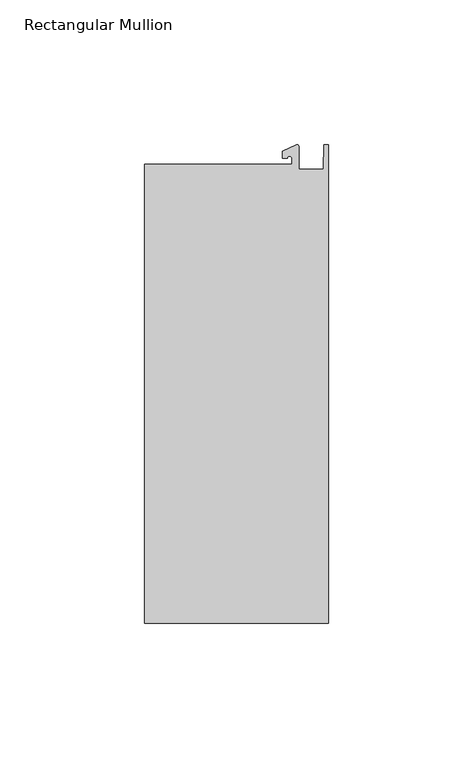
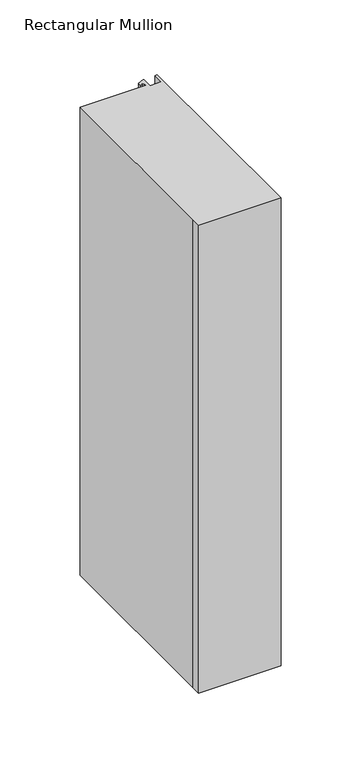
"""IFC4 building model written with IfcOpenShell, lengths in millimetres: member geometry, Rectangular Mullion."""

from ifc_helpers import new_model, si_unit, point, frame, frame_2d, origin, place, context, project, spatial, polyline, circle_curve, trimmed, segment, composite_curve, outline, extrude, source, transform, mapped, element, save


def rectangular_mullion_3dcfd3db(model_context):
    return source(origin(), model_context, "Body", "SweptSolid", [
        extrude(outline(composite_curve([segment(polyline([(-12.6173814, 25.5984375), (-12.6173814, 27.6780632)]), True, "CONTINUOUS"), segment(trimmed(circle_curve(frame_2d((-13.4111314, 27.6780632)), 0.79375), [point((-12.6173814, 27.6780632))], [point((-14.2048814, 27.6780632))], True, "CARTESIAN"), True, "CONTINUOUS"), segment(polyline([(-14.2048814, 27.6780632), (-15.7923814, 27.6780632), (-15.7923814, 30.0402625), (-10.9524715, 32.2971496)]), True, "CONTINUOUS"), segment(trimmed(circle_curve(frame_2d((-10.7377814, 31.8367452)), 0.508), [point((-10.9524715, 32.2971496))], [point((-10.2297814, 31.8367452))], False, "CARTESIAN"), True, "CONTINUOUS"), segment(polyline([(-10.2297814, 31.8367452), (-10.2297814, 23.9227662), (-1.7144124, 23.9227662), (-1.5658966, 32.288874), (0.0, 32.288874), (0.0, -132.822512), (-63.5, -132.822512), (-63.5, -125.075512), (-63.5, 25.5984375), (-12.6173814, 25.5984375)]), True, "CONTINUOUS")], self_intersect=False)), frame((0.0, 0.0, -381.0), z_axis=(0.0, 0.0, 1.0), x_axis=(1.0, 0.0, 0.0)), (0.0, 0.0, 1.0), 381.0),
    ])


if __name__ == "__main__":
    model = new_model("IFC4")
    model_context = context("Model", 3, world=origin())
    ifc_project = project(units=[si_unit("LENGTHUNIT", "METRE", prefix="MILLI")], contexts=[model_context])
    site = spatial("IfcSite", under=ifc_project)
    building = spatial("IfcBuilding", under=site)
    placement = place(None, origin())
    rectangular_mullion_shape = rectangular_mullion_3dcfd3db(model_context)
    element("IfcMember", 1, ObjectType="Rectangular Mullion", at=placement, inside=building, context=model_context, shape_type="MappedRepresentation", body=[
        mapped(rectangular_mullion_shape, transform((0.0, 0.0, 0.0), x_axis=(1.0, 0.0, 0.0), y_axis=(0.0, 1.0, 0.0), z_axis=(0.0, 0.0, 1.0))),
    ])
    save(model, "model.ifc")
